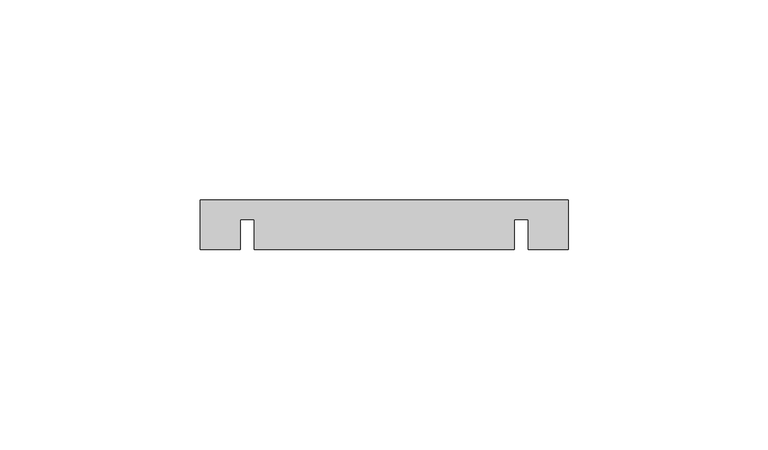
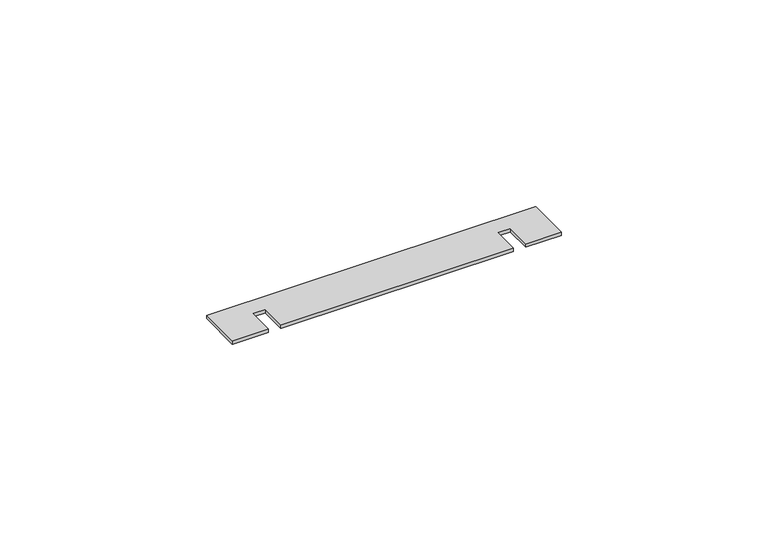
"""IFC4 building model written with IfcOpenShell, lengths in millimetres: proxy geometry."""

from ifc_helpers import new_model, si_unit, origin, origin_with_axes, place, context, project, spatial, polyline, outline, extrude, source, transform, mapped, element, save


def generic_models_6eac673c(model_context):
    return source(origin(), model_context, "Body", "SweptSolid", [
        extrude(outline(polyline([(82.0, 5.0), (82.0, -7.5), (72.0, -7.5), (72.0, 0.0), (68.5, 0.0), (68.5, -7.5), (3.5, -7.5), (3.5, 0.0), (0.0, 0.0), (0.0, -7.5), (-10.0, -7.5), (-10.0, 5.0), (82.0, 5.0)])), origin_with_axes(), (0.0, 0.0, 1.0), 1.0),
    ])


if __name__ == "__main__":
    model = new_model("IFC4")
    model_context = context("Model", 3, world=origin())
    ifc_project = project(units=[si_unit("LENGTHUNIT", "METRE", prefix="MILLI")], contexts=[model_context])
    site = spatial("IfcSite", under=ifc_project)
    building = spatial("IfcBuilding", under=site)
    placement = place(None, origin())
    generic_models_shape = generic_models_6eac673c(model_context)
    element("IfcBuildingElementProxy", 1, Name="Generic Models", at=placement, inside=building, context=model_context, shape_type="MappedRepresentation", body=[
        mapped(generic_models_shape, transform((0.0, 0.0, 0.0), x_axis=(1.0, 0.0, 0.0), y_axis=(0.0, 1.0, 0.0), z_axis=(0.0, 0.0, 1.0))),
    ])
    save(model, "model.ifc")
